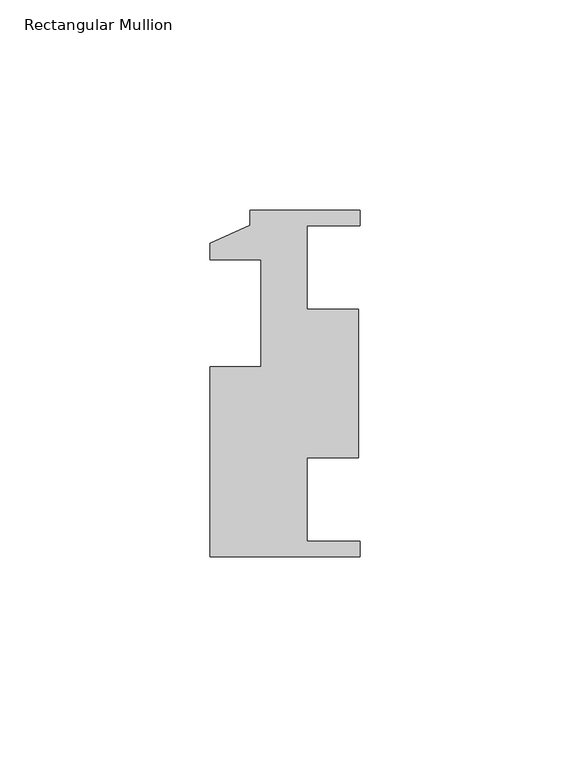
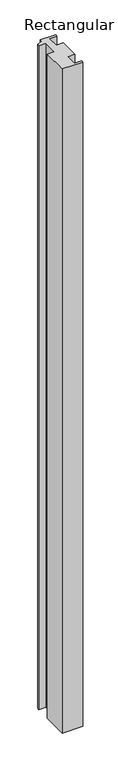
"""IFC4 building model written with IfcOpenShell, lengths in millimetres: member geometry, Rectangular Mullion."""

from ifc_helpers import new_model, si_unit, frame, origin, place, context, project, spatial, polyline, outline, extrude, source, transform, mapped, element, save


def rectangular_mullion_ac76ba60(model_context):
    return source(origin(), model_context, "Body", "SweptSolid", [
        extrude(outline(polyline([(0.0, -46.4050041), (-35.7632, -46.4050041), (-35.7632, -1.0914041), (-23.5458, -1.0914041), (-23.5458, 24.3085959), (-35.7632, 24.3085959), (-35.7632, 28.2201959), (-26.2382, 32.5381959), (-26.2382, 36.1449959), (0.0, 36.1449959), (0.0, 32.4111959), (-12.7, 32.4111959), (-12.7, 12.5737959), (-0.3456927, 12.5737959), (-0.3456927, -22.8338041), (-12.7, -22.8338041), (-12.7, -42.6712041), (0.0, -42.6712041), (0.0, -46.4050041)])), frame((0.0, 0.0, -1219.2), z_axis=(0.0, 0.0, 1.0), x_axis=(1.0, 0.0, 0.0)), (0.0, 0.0, 1.0), 1219.2),
    ])


if __name__ == "__main__":
    model = new_model("IFC4")
    model_context = context("Model", 3, world=origin())
    ifc_project = project(units=[si_unit("LENGTHUNIT", "METRE", prefix="MILLI")], contexts=[model_context])
    site = spatial("IfcSite", under=ifc_project)
    building = spatial("IfcBuilding", under=site)
    placement = place(None, origin())
    rectangular_mullion_shape = rectangular_mullion_ac76ba60(model_context)
    element("IfcMember", 1, ObjectType="Rectangular Mullion", at=placement, inside=building, context=model_context, shape_type="MappedRepresentation", body=[
        mapped(rectangular_mullion_shape, transform((0.0, 0.0, 0.0), x_axis=(1.0, 0.0, 0.0), y_axis=(0.0, 1.0, 0.0), z_axis=(0.0, 0.0, 1.0))),
    ])
    save(model, "model.ifc")
